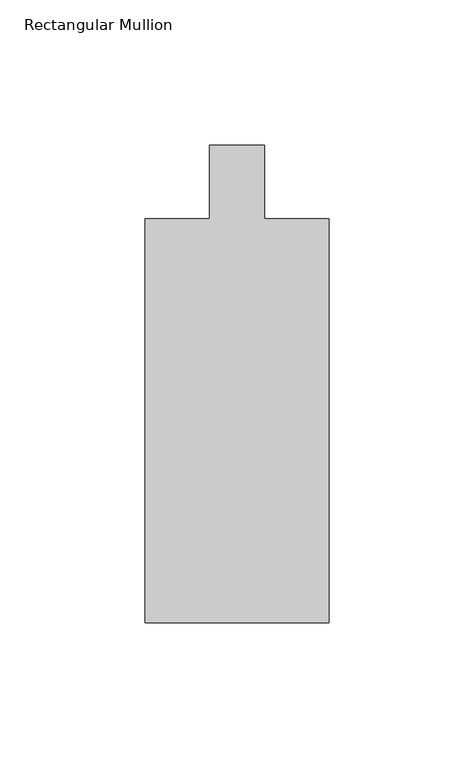
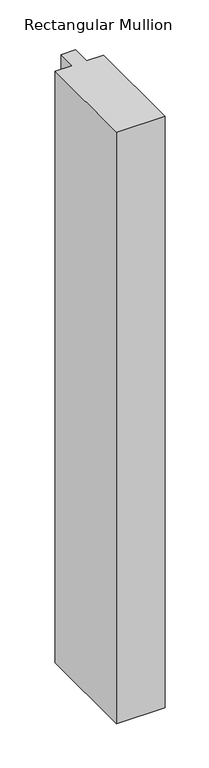
"""IFC4 building model written with IfcOpenShell, lengths in millimetres: member geometry, Rectangular Mullion."""

from ifc_helpers import new_model, si_unit, frame, origin, place, context, project, spatial, polyline, outline, extrude, source, transform, mapped, element, save


def rectangular_mullion_0360eae5(model_context):
    return source(origin(), model_context, "Body", "SweptSolid", [
        extrude(outline(polyline([(31.7500214, -44.4626936), (31.7500061, -183.6539676), (-31.7486016, -183.6539606), (-31.7485862, -44.4607227), (-9.524418, -44.4607252), (-9.5244152, -19.0399028), (9.5255848, -19.0399049), (9.525582, -44.4626911), (31.7500214, -44.4626936)])), frame((0.0, 0.0, -819.150004), z_axis=(0.0, 0.0, 1.0), x_axis=(1.0, 0.0, 0.0)), (0.0, 0.0, 1.0), 819.150004),
    ])


if __name__ == "__main__":
    model = new_model("IFC4")
    model_context = context("Model", 3, world=origin())
    ifc_project = project(units=[si_unit("LENGTHUNIT", "METRE", prefix="MILLI")], contexts=[model_context])
    site = spatial("IfcSite", under=ifc_project)
    building = spatial("IfcBuilding", under=site)
    placement = place(None, origin())
    rectangular_mullion_shape = rectangular_mullion_0360eae5(model_context)
    element("IfcMember", 1, ObjectType="Rectangular Mullion", at=placement, inside=building, context=model_context, shape_type="MappedRepresentation", body=[
        mapped(rectangular_mullion_shape, transform((0.0, 0.0, 0.0), x_axis=(1.0, 0.0, 0.0), y_axis=(0.0, 1.0, 0.0), z_axis=(0.0, 0.0, 1.0))),
    ])
    save(model, "model.ifc")
